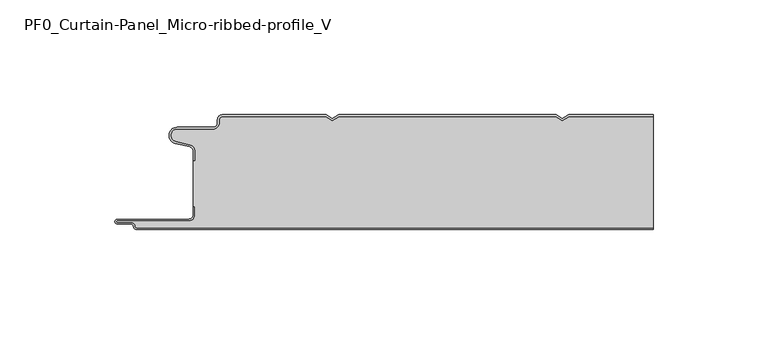
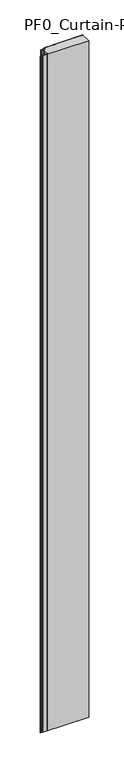
"""IFC4 building model written with IfcOpenShell, lengths in millimetres: plate geometry, PF0_Curtain-Panel_Micro-ribbed-profile_V."""

from ifc_helpers import new_model, si_unit, point, frame_2d, origin, origin_with_axes, place, context, project, spatial, polyline, circle_curve, trimmed, segment, composite_curve, outline, extrude, source, transform, mapped, element, save


def pf0_curtain_panel_micro_ribbed_profile_v_77c2cacb(model_context):
    return source(origin(), model_context, "Body", "SweptSolid", [
        extrude(outline(composite_curve([segment(trimmed(circle_curve(frame_2d((-102.0119739, -15.878557)), 2.0), [point((-100.0119739, -15.878557))], [point((-101.5620718, -13.9298169))], True, "CARTESIAN"), True, "CONTINUOUS"), segment(polyline([(-101.5620718, -13.9298169), (-107.7217978, -12.507732)]), True, "CONTINUOUS"), segment(trimmed(circle_curve(frame_2d((-106.9119739, -9.0)), 3.6), [point((-107.7217978, -12.507732))], [point((-106.9119739, -5.4))], False, "CARTESIAN"), True, "CONTINUOUS"), segment(polyline([(-106.9119739, -5.4), (-91.4119739, -5.4)]), True, "CONTINUOUS"), segment(trimmed(circle_curve(frame_2d((-91.4119739, -3.4)), 2.0), [point((-91.4119739, -5.4))], [point((-89.4119739, -3.4))], True, "CARTESIAN"), True, "CONTINUOUS"), segment(polyline([(-89.4119739, -3.4), (-89.4119739, -2.0)]), True, "CONTINUOUS"), segment(trimmed(circle_curve(frame_2d((-87.4119739, -2.0)), 2.0), [point((-89.4119739, -2.0))], [point((-87.4119739, 0.0))], False, "CARTESIAN"), True, "CONTINUOUS"), segment(polyline([(-87.4119739, 0.0), (-42.1119734, 0.0), (-39.4119739, -1.5588455), (-36.7119745, 0.0), (57.8880266, 0.0), (60.5880261, -1.5588455), (63.2880255, 0.0), (100.0119739, 0.0), (100.0119739, -0.8), (63.5023849, -0.8), (60.5880261, -2.482606), (57.6736672, -0.8), (-36.4976151, -0.8), (-39.4119739, -2.482606), (-42.3263328, -0.8), (-87.4119739, -0.8)]), True, "CONTINUOUS"), segment(trimmed(circle_curve(frame_2d((-87.4119739, -2.0)), 1.2), [point((-87.4119739, -0.8))], [point((-88.6119739, -2.0))], True, "CARTESIAN"), True, "CONTINUOUS"), segment(polyline([(-88.6119739, -2.0), (-88.6119739, -3.4)]), True, "CONTINUOUS"), segment(trimmed(circle_curve(frame_2d((-91.4119739, -3.4)), 2.8), [point((-88.6119739, -3.4))], [point((-91.4119739, -6.2))], False, "CARTESIAN"), True, "CONTINUOUS"), segment(polyline([(-91.4119739, -6.2), (-106.9119739, -6.2)]), True, "CONTINUOUS"), segment(trimmed(circle_curve(frame_2d((-106.9119739, -9.0)), 2.8), [point((-106.9119739, -6.2))], [point((-107.541837, -11.7282362))], True, "CARTESIAN"), True, "CONTINUOUS"), segment(polyline([(-107.541837, -11.7282362), (-101.3821109, -13.150321)]), True, "CONTINUOUS"), segment(trimmed(circle_curve(frame_2d((-102.0119739, -15.878557)), 2.8), [point((-101.3821109, -13.150321))], [point((-99.2119739, -15.878557))], False, "CARTESIAN"), True, "CONTINUOUS"), segment(polyline([(-99.2119739, -15.878557), (-99.2119739, -20.0), (-100.0119739, -20.0), (-100.0119739, -15.878557)]), True, "CONTINUOUS")], self_intersect=False)), origin_with_axes(), (0.0, 0.0, 1.0), 3500.0),
        extrude(outline(composite_curve([segment(polyline([(-99.2119739, -40.0), (-100.0119739, -40.0), (-100.0119739, -20.0), (-99.2119739, -20.0), (-99.2119739, -15.878557)]), True, "CONTINUOUS"), segment(trimmed(circle_curve(frame_2d((-102.0119739, -15.878557)), 2.8), [point((-99.2119739, -15.878557))], [point((-101.3821109, -13.1503208))], True, "CARTESIAN"), True, "CONTINUOUS"), segment(polyline([(-101.3821109, -13.1503208), (-107.5418369, -11.7282362)]), True, "CONTINUOUS"), segment(trimmed(circle_curve(frame_2d((-106.9119739, -9.0)), 2.8), [point((-107.5418369, -11.7282362))], [point((-106.9119739, -6.2))], False, "CARTESIAN"), True, "CONTINUOUS"), segment(polyline([(-106.9119739, -6.2), (-91.4119739, -6.2)]), True, "CONTINUOUS"), segment(trimmed(circle_curve(frame_2d((-91.4119739, -3.4)), 2.8), [point((-91.4119739, -6.2))], [point((-88.6119739, -3.4))], True, "CARTESIAN"), True, "CONTINUOUS"), segment(polyline([(-88.6119739, -3.4), (-88.6119739, -2.0)]), True, "CONTINUOUS"), segment(trimmed(circle_curve(frame_2d((-87.4119739, -2.0)), 1.2), [point((-88.6119739, -2.0))], [point((-87.4119739, -0.8))], False, "CARTESIAN"), True, "CONTINUOUS"), segment(polyline([(-87.4119739, -0.8), (-42.3263328, -0.8), (-39.4119739, -2.482606), (-36.4976151, -0.8), (57.6736672, -0.8), (60.5880261, -2.482606), (63.5023849, -0.8), (100.0119739, -0.8), (100.0119739, -49.2), (-124.4119739, -49.2)]), True, "CONTINUOUS"), segment(trimmed(circle_curve(frame_2d((-124.4119739, -48.4)), 0.8), [point((-124.4119739, -49.2))], [point((-125.2119739, -48.4))], False, "CARTESIAN"), True, "CONTINUOUS"), segment(trimmed(circle_curve(frame_2d((-126.9119739, -48.6133333)), 1.7133333), [point((-125.2119739, -48.4))], [point((-126.9119739, -46.9))], True, "CARTESIAN"), True, "CONTINUOUS"), segment(polyline([(-126.9119739, -46.9), (-132.8820051, -46.9)]), True, "CONTINUOUS"), segment(trimmed(circle_curve(frame_2d((-132.8820051, -46.6)), 0.3), [point((-132.8820051, -46.9))], [point((-132.8820051, -46.3))], False, "CARTESIAN"), True, "CONTINUOUS"), segment(polyline([(-132.8820051, -46.3), (-102.0119739, -46.3)]), True, "CONTINUOUS"), segment(trimmed(circle_curve(frame_2d((-102.0119739, -43.5)), 2.8), [point((-102.0119739, -46.3))], [point((-99.2119739, -43.5))], True, "CARTESIAN"), True, "CONTINUOUS"), segment(polyline([(-99.2119739, -43.5), (-99.2119739, -40.0)]), True, "CONTINUOUS")], self_intersect=False)), origin_with_axes(), (0.0, 0.0, 1.0), 3500.0),
        extrude(outline(composite_curve([segment(polyline([(-100.0119739, -40.0), (-99.2119739, -40.0), (-99.2119739, -43.5)]), True, "CONTINUOUS"), segment(trimmed(circle_curve(frame_2d((-102.0119739, -43.5)), 2.8), [point((-99.2119739, -43.5))], [point((-102.0119739, -46.3))], False, "CARTESIAN"), True, "CONTINUOUS"), segment(polyline([(-102.0119739, -46.3), (-132.8820051, -46.3)]), True, "CONTINUOUS"), segment(trimmed(circle_curve(frame_2d((-132.8820051, -46.6)), 0.3), [point((-132.8820051, -46.3))], [point((-132.8820051, -46.9))], True, "CARTESIAN"), True, "CONTINUOUS"), segment(polyline([(-132.8820051, -46.9), (-126.9119739, -46.9)]), True, "CONTINUOUS"), segment(trimmed(circle_curve(frame_2d((-126.9119739, -48.6133333)), 1.7133333), [point((-126.9119739, -46.9))], [point((-125.2119739, -48.4))], False, "CARTESIAN"), True, "CONTINUOUS"), segment(trimmed(circle_curve(frame_2d((-124.4119739, -48.4)), 0.8), [point((-125.2119739, -48.4))], [point((-124.4119739, -49.2))], True, "CARTESIAN"), True, "CONTINUOUS"), segment(polyline([(-124.4119739, -49.2), (100.0119739, -49.2), (100.0119739, -50.0), (-124.4119739, -50.0)]), True, "CONTINUOUS"), segment(trimmed(circle_curve(frame_2d((-124.4119739, -48.4)), 1.6), [point((-124.4119739, -50.0))], [point((-126.0119739, -48.4))], False, "CARTESIAN"), True, "CONTINUOUS"), segment(trimmed(circle_curve(frame_2d((-126.9119739, -48.4)), 0.9), [point((-126.0119739, -48.4))], [point((-126.9119739, -47.5))], True, "CARTESIAN"), True, "CONTINUOUS"), segment(polyline([(-126.9119739, -47.5), (-133.0119739, -47.5)]), True, "CONTINUOUS"), segment(trimmed(circle_curve(frame_2d((-133.0119739, -46.5)), 1.0), [point((-133.0119739, -47.5))], [point((-133.0119739, -45.5))], False, "CARTESIAN"), True, "CONTINUOUS"), segment(polyline([(-133.0119739, -45.5), (-102.0119739, -45.5)]), True, "CONTINUOUS"), segment(trimmed(circle_curve(frame_2d((-102.0119739, -43.5)), 2.0), [point((-102.0119739, -45.5))], [point((-100.0119739, -43.5))], True, "CARTESIAN"), True, "CONTINUOUS"), segment(polyline([(-100.0119739, -43.5), (-100.0119739, -40.0)]), True, "CONTINUOUS")], self_intersect=False)), origin_with_axes(), (0.0, 0.0, 1.0), 3500.0),
    ])


if __name__ == "__main__":
    model = new_model("IFC4")
    model_context = context("Model", 3, world=origin())
    ifc_project = project(units=[si_unit("LENGTHUNIT", "METRE", prefix="MILLI")], contexts=[model_context])
    site = spatial("IfcSite", under=ifc_project)
    building = spatial("IfcBuilding", under=site)
    placement = place(None, origin())
    pf0_curtain_panel_micro_ribbed_profile_v_shape = pf0_curtain_panel_micro_ribbed_profile_v_77c2cacb(model_context)
    element("IfcPlate", 1, ObjectType="PF0_Curtain-Panel_Micro-ribbed-profile_V", at=placement, inside=building, context=model_context, shape_type="MappedRepresentation", body=[
        mapped(pf0_curtain_panel_micro_ribbed_profile_v_shape, transform((0.0, 0.0, 0.0), x_axis=(1.0, 0.0, 0.0), y_axis=(0.0, 1.0, 0.0), z_axis=(0.0, 0.0, 1.0))),
    ])
    save(model, "model.ifc")
